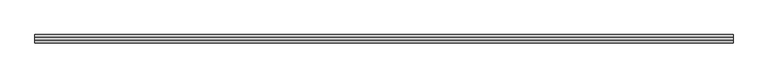
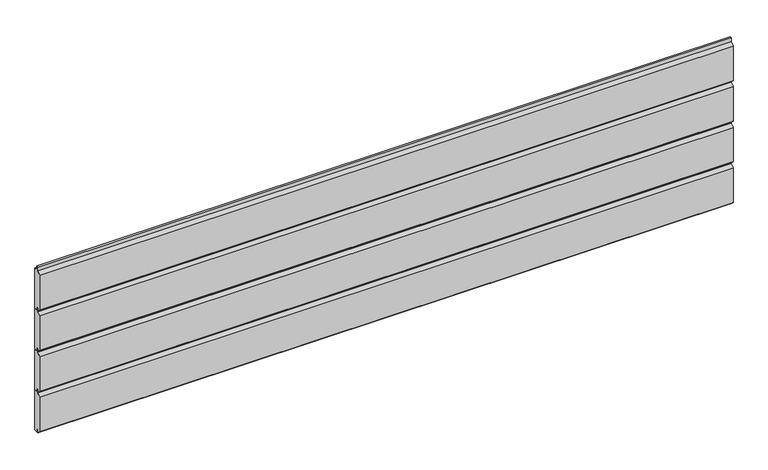
"""IFC4 building model written with IfcOpenShell, lengths in millimetres: plate geometry."""

from ifc_helpers import new_model, si_unit, frame, origin, place, context, project, spatial, polyline, outline, extrude, source, transform, mapped, element, save


def plate_6941b1cf(model_context):
    return source(origin(), model_context, "Body", "SweptSolid", [
        extrude(outline(polyline([(0.0, 330.0), (-7.5, 330.0), (-7.5, 340.0), (-13.5, 340.0), (-13.5, 330.0), (-21.0, 337.5), (-21.0, 430.5), (-13.5, 438.0), (-13.5, 448.0), (-7.5, 448.0), (-7.5, 438.0), (0.0, 438.0), (0.0, 330.0)])), frame((-885.7499999, 0.0, 0.0), z_axis=(1.0, 0.0, 0.0), x_axis=(0.0, 1.0, 0.0)), (0.0, 0.0, 1.0), 1771.4999998),
        extrude(outline(polyline([(0.0, 220.0), (-7.5, 220.0), (-7.5, 230.0), (-13.5, 230.0), (-13.5, 220.0), (-21.0, 227.5), (-21.0, 320.5), (-13.5, 328.0), (-13.5, 338.0), (-7.5, 338.0), (-7.5, 328.0), (0.0, 328.0), (0.0, 220.0)])), frame((-885.7499999, 0.0, 0.0), z_axis=(1.0, 0.0, 0.0), x_axis=(0.0, 1.0, 0.0)), (0.0, 0.0, 1.0), 1771.4999998),
        extrude(outline(polyline([(0.0, 110.0), (-7.5, 110.0), (-7.5, 120.0), (-13.5, 120.0), (-13.5, 110.0), (-21.0, 117.5), (-21.0, 210.5), (-13.5, 218.0), (-13.5, 228.0), (-7.5, 228.0), (-7.5, 218.0), (0.0, 218.0), (0.0, 110.0)])), frame((-885.7499999, 0.0, 0.0), z_axis=(1.0, 0.0, 0.0), x_axis=(0.0, 1.0, 0.0)), (0.0, 0.0, 1.0), 1771.4999998),
        extrude(outline(polyline([(0.0, 0.0), (-7.5, 0.0), (-7.5, 10.0), (-13.5, 10.0), (-13.5, 0.0), (-21.0, 7.5), (-21.0, 100.5), (-13.5, 108.0), (-13.5, 118.0), (-7.5, 118.0), (-7.5, 108.0), (0.0, 108.0), (0.0, 0.0)])), frame((-885.7499999, 0.0, 0.0), z_axis=(1.0, 0.0, 0.0), x_axis=(0.0, 1.0, 0.0)), (0.0, 0.0, 1.0), 1771.4999998),
    ])


if __name__ == "__main__":
    model = new_model("IFC4")
    model_context = context("Model", 3, world=origin())
    ifc_project = project(units=[si_unit("LENGTHUNIT", "METRE", prefix="MILLI")], contexts=[model_context])
    site = spatial("IfcSite", under=ifc_project)
    building = spatial("IfcBuilding", under=site)
    placement = place(None, origin())
    plate_shape = plate_6941b1cf(model_context)
    element("IfcPlate", 1, at=placement, inside=building, context=model_context, shape_type="MappedRepresentation", body=[
        mapped(plate_shape, transform((0.0, 0.0, 0.0), x_axis=(1.0, 0.0, 0.0), y_axis=(0.0, 1.0, 0.0), z_axis=(0.0, 0.0, 1.0))),
    ])
    save(model, "model.ifc")
